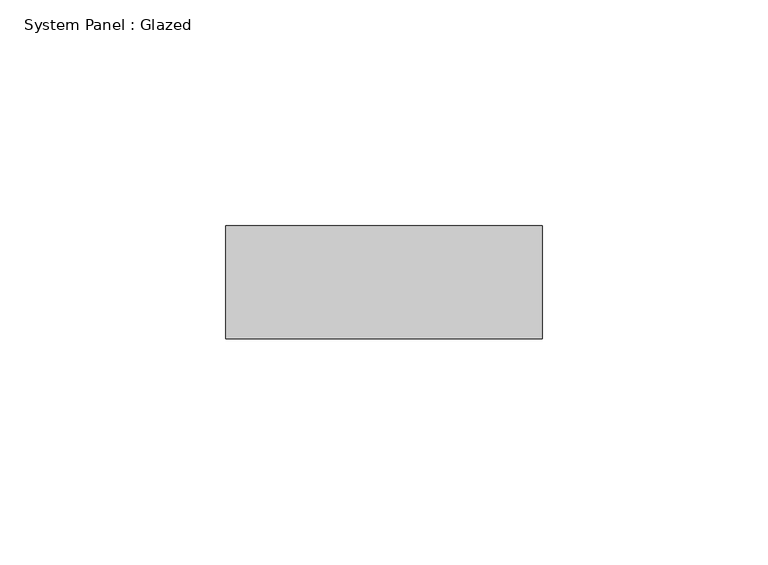
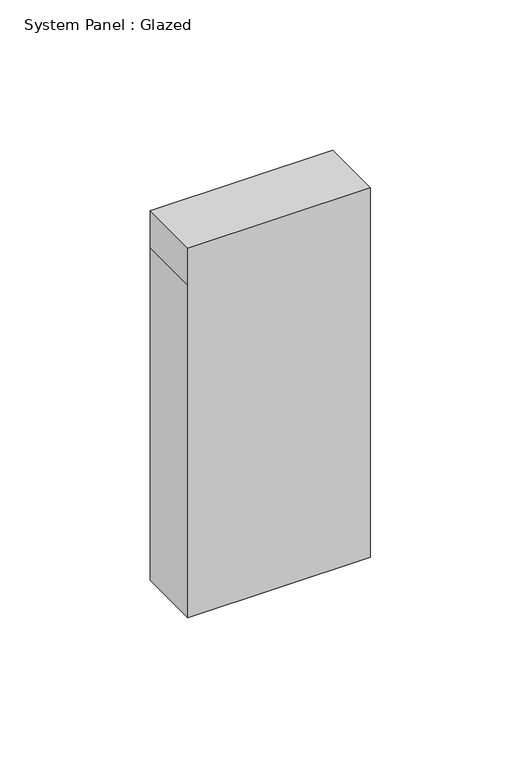
"""IFC4 building model written with IfcOpenShell, lengths in millimetres: plate geometry, System Panel : Glazed."""

import ifcopenshell
import ifcopenshell.guid

model = None  # the IFC model being written
_history = None  # IfcOwnerHistory: only IFC2X3 demands one
_inside = {}  # id of a spatial element -> (the spatial element, [elements in it])
_under = {}  # id of a project, library or spatial element -> (it, [spatial elements below it])
_declared = {}  # id of a project -> (the project, [libraries it declares])
_typed = {}  # id of a type object -> (the type object, [elements of that type])
_made_of = {}  # id of a material, layer set ... -> (it, [elements and type objects made of it])


def new_model(schema):
    """Start an empty IFC model of exactly this schema.

    Asked for "IFC4X3", IfcOpenShell would pick the latest addendum, in which some entities
    have other attributes; the version numbers below select the first issue.
    IFC2X3 requires an IfcOwnerHistory on every rooted entity: one is made here for all.
    """
    global model, _history
    if schema == "IFC4X3":
        model = ifcopenshell.file(schema_version=(4, 3, 0, 0))
    else:
        model = ifcopenshell.file(schema=schema)
    _inside.clear()
    _under.clear()
    _declared.clear()
    _typed.clear()
    _made_of.clear()
    _history = None
    if model.schema == "IFC2X3":
        org = make("IfcOrganization", Name="unknown")
        user = make(
            "IfcPersonAndOrganization",
            ThePerson=make("IfcPerson", FamilyName="unknown"),
            TheOrganization=org,
        )
        app = make(
            "IfcApplication",
            ApplicationDeveloper=org,
            Version="unknown",
            ApplicationFullName="unknown",
            ApplicationIdentifier="unknown",
        )
        _history = make(
            "IfcOwnerHistory",
            OwningUser=user,
            OwningApplication=app,
            ChangeAction="ADDED",
            CreationDate=0,
        )
    return model


def make(cls, **values):
    """One entity of the class cls with the attributes given. An attribute that is None is left unset."""
    return model.create_entity(
        cls, **{name: value for name, value in values.items() if value is not None}
    )


def rooted(cls, **values):
    """An entity with a GlobalId (a new one), such as an element, a storey or a relation."""
    return make(cls, GlobalId=ifcopenshell.guid.new(), OwnerHistory=_history, **values)


def si_unit(unit_type, name, prefix=None):
    """IfcSIUnit, for example si_unit("LENGTHUNIT", "METRE", prefix="MILLI")."""
    return make("IfcSIUnit", UnitType=unit_type, Prefix=prefix, Name=name)


def assignment(units):
    """IfcUnitAssignment: the units of a project."""
    return None if units is None else make("IfcUnitAssignment", Units=units)


def point(xyz):
    """IfcCartesianPoint."""
    return None if xyz is None else make("IfcCartesianPoint", Coordinates=xyz)


def direction(xyz):
    """IfcDirection."""
    return None if xyz is None else make("IfcDirection", DirectionRatios=xyz)


def frame(location, z_axis=None, x_axis=None):
    """IfcAxis2Placement3D, a coordinate frame: its origin and axes. An axis left out is left unset."""
    return make(
        "IfcAxis2Placement3D",
        Location=point(location),
        Axis=direction(z_axis),
        RefDirection=direction(x_axis),
    )


def origin():
    """The frame at (0, 0, 0) with its axes left unset."""
    return frame((0.0, 0.0, 0.0))


def place(relative_to, where):
    """IfcLocalPlacement: puts the frame where relative to a parent placement (None: the world)."""
    return make(
        "IfcLocalPlacement", PlacementRelTo=relative_to, RelativePlacement=where
    )


def context(
    kind, dimensions, precision=None, world=None, true_north=None, identifier=None
):
    """IfcGeometricRepresentationContext, for example the 3D "Model" context."""
    return make(
        "IfcGeometricRepresentationContext",
        ContextIdentifier=identifier,
        ContextType=kind,
        CoordinateSpaceDimension=dimensions,
        Precision=precision,
        WorldCoordinateSystem=world,
        TrueNorth=true_north,
    )


def project(units=None, contexts=None):
    """IfcProject with its units and contexts."""
    return rooted(
        "IfcProject",
        Name="project",
        RepresentationContexts=contexts,
        UnitsInContext=assignment(units),
    )


def spatial(cls, under=None, at=None, **own):
    """A site, building, storey or space (cls), placed at a placement, below another one or the project."""
    s = rooted(cls, ObjectPlacement=at, **own)
    if under is not None:
        _under.setdefault(under.id(), (under, []))[1].append(s)
    return s


def polyline(points):
    """IfcPolyline through the points."""
    return make("IfcPolyline", Points=[point(p) for p in points])


def outline(outer, holes=None, kind="AREA"):
    """IfcArbitraryClosedProfileDef: a profile drawn as a closed curve; with holes, ...WithVoids."""
    if holes is None:
        return make("IfcArbitraryClosedProfileDef", ProfileType=kind, OuterCurve=outer)
    return make(
        "IfcArbitraryProfileDefWithVoids",
        ProfileType=kind,
        OuterCurve=outer,
        InnerCurves=holes,
    )


def extrude(swept, where, along, depth):
    """IfcExtrudedAreaSolid: the profile swept, set in the frame where, extruded along a direction by depth."""
    return make(
        "IfcExtrudedAreaSolid",
        SweptArea=swept,
        Position=where,
        ExtrudedDirection=direction(along),
        Depth=depth,
    )


def shape(context_of_items, identifier, shape_type, items):
    """IfcShapeRepresentation: the items that make up one representation, for example the "Body"."""
    return make(
        "IfcShapeRepresentation",
        ContextOfItems=context_of_items,
        RepresentationIdentifier=identifier,
        RepresentationType=shape_type,
        Items=items,
    )


def source(mapping_origin, context_of_items, identifier, shape_type, items):
    """IfcRepresentationMap: a shape defined once, which mapped items show again and again."""
    return make(
        "IfcRepresentationMap",
        MappingOrigin=mapping_origin,
        MappedRepresentation=shape(context_of_items, identifier, shape_type, items),
    )


def transform(
    local_origin,
    x_axis=None,
    y_axis=None,
    z_axis=None,
    scale=None,
    scale2=None,
    scale3=None,
    uniform=True,
):
    """IfcCartesianTransformationOperator3D, or its non-uniform kind. x_axis, y_axis, z_axis: its Axis1, 2, 3."""
    if uniform:
        return make(
            "IfcCartesianTransformationOperator3D",
            Axis1=direction(x_axis),
            Axis2=direction(y_axis),
            LocalOrigin=point(local_origin),
            Scale=scale,
            Axis3=direction(z_axis),
        )
    return make(
        "IfcCartesianTransformationOperator3DnonUniform",
        Axis1=direction(x_axis),
        Axis2=direction(y_axis),
        LocalOrigin=point(local_origin),
        Scale=scale,
        Axis3=direction(z_axis),
        Scale2=scale2,
        Scale3=scale3,
    )


def mapped(mapping_source, mapping_target):
    """IfcMappedItem: shows the shape of a source again, moved by a transform."""
    return make(
        "IfcMappedItem", MappingSource=mapping_source, MappingTarget=mapping_target
    )


def made_of(thing, what):
    """Note that an element or type object is made of a material, layer set ...; save() writes the relation."""
    if what is not None:
        _made_of.setdefault(what.id(), (what, []))[1].append(thing)
    return thing


def element(
    cls,
    number,
    at=None,
    inside=None,
    cuts=None,
    type_object=None,
    material=None,
    context=None,
    identifier="Body",
    shape_type=None,
    held_by="IfcProductDefinitionShape",
    body=None,
    shapes=None,
    **own,
):
    """One element of the class cls, such as IfcWall. Its Tag is "e" and its number.

    at: its placement. inside: the storey or other place that contains it. cuts: it is an
    opening in that element (IfcRelVoidsElement). A single representation is given by context,
    identifier, shape_type and body (its items); several are given by shapes. held_by: the class
    of the entity that holds the representations. save() writes the other relations.
    """
    e = rooted(cls, Tag="e%d" % number, ObjectPlacement=at, **own)
    if body is not None:
        shapes = [shape(context, identifier, shape_type, body)]
    if shapes is not None:
        e.Representation = make(held_by, Representations=shapes)
    if inside is not None:
        _inside.setdefault(inside.id(), (inside, []))[1].append(e)
    if cuts is not None:
        rooted(
            "IfcRelVoidsElement", RelatingBuildingElement=cuts, RelatedOpeningElement=e
        )
    if type_object is not None:
        _typed.setdefault(type_object.id(), (type_object, []))[1].append(e)
    return made_of(e, material)


def aggregate(whole, parts):
    """IfcRelAggregates: a whole, such as a stair, and the parts it consists of."""
    return rooted("IfcRelAggregates", RelatingObject=whole, RelatedObjects=parts)


def save(model, path):
    """Write the relations noted so far, then the file.

    IfcRelAggregates (storeys below a building ...), IfcRelContainedInSpatialStructure (elements
    in a storey), IfcRelDefinesByType, IfcRelAssociatesMaterial and IfcRelDeclares: one each for
    every whole, place, type object, material and project.
    """
    for whole, parts in _under.values():
        aggregate(whole, parts)
    for where, things in _inside.values():
        rooted(
            "IfcRelContainedInSpatialStructure",
            RelatedElements=things,
            RelatingStructure=where,
        )
    for kind, things in _typed.values():
        rooted("IfcRelDefinesByType", RelatedObjects=things, RelatingType=kind)
    for what, things in _made_of.values():
        rooted("IfcRelAssociatesMaterial", RelatedObjects=things, RelatingMaterial=what)
    for by, libraries in _declared.values():
        rooted("IfcRelDeclares", RelatingContext=by, RelatedDefinitions=libraries)
    model.write(path)


def system_panel_glazed_e6d7e6c7(model_context):
    return source(origin(), model_context, "Body", "SweptSolid", [
        extrude(outline(polyline([(0.0, -35.0), (0.0, 35.0), (135.0, 35.0), (150.0, 35.0), (150.0, -35.0), (135.0, -35.0), (0.0, -35.0)])), frame((0.0, 24.5, 0.0), z_axis=(0.0, 1.0, 0.0), x_axis=(0.0, 0.0, 1.0)), (0.0, 0.0, 1.0), 25.0),
    ])


if __name__ == "__main__":
    model = new_model("IFC4")
    model_context = context("Model", 3, world=origin())
    ifc_project = project(units=[si_unit("LENGTHUNIT", "METRE", prefix="MILLI")], contexts=[model_context])
    site = spatial("IfcSite", under=ifc_project)
    building = spatial("IfcBuilding", under=site)
    placement = place(None, origin())
    system_panel_glazed_shape = system_panel_glazed_e6d7e6c7(model_context)
    element("IfcPlate", 1, ObjectType="System Panel : Glazed", at=placement, inside=building, context=model_context, shape_type="MappedRepresentation", body=[
        mapped(system_panel_glazed_shape, transform((0.0, 0.0, 0.0), x_axis=(1.0, 0.0, 0.0), y_axis=(0.0, 1.0, 0.0), z_axis=(0.0, 0.0, 1.0))),
    ])
    save(model, "model.ifc")
